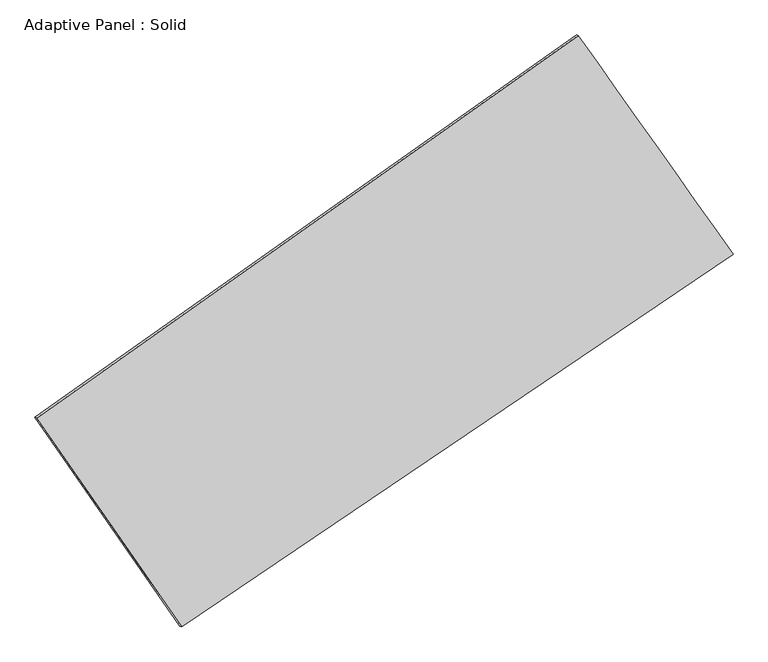
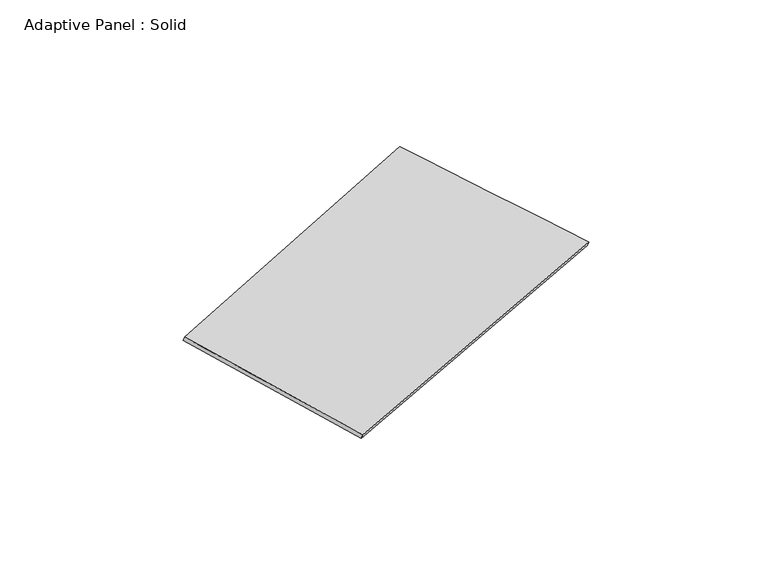
"""IFC4 building model written with IfcOpenShell, lengths in millimetres: plate geometry, Adaptive Panel : Solid."""

from ifc_helpers import new_model, si_unit, frame, origin, place, context, project, spatial, source, transform, mapped, element, save
from ifc_brep_helpers import plane_surface, spline_surface, advanced_brep


def adaptive_panel_solid_a981316e(model_context):
    return source(origin(), model_context, "Body", "AdvancedBrep", [
        advanced_brep(
        [(1062.2166433, 2506.9601895, 669.7773471), (-3675.0481676, -838.8263992, 1731.2979117), (-3660.3818117, -845.2064927, 1778.6708197), (1076.8829991, 2500.580096, 717.1502551), (-2406.4607428, -2663.383205, 1046.3807647), (-2391.794387, -2669.7632984, 1093.7536727), (2416.001689, 595.0008418, 37.6664967), (2430.6680448, 588.6207484, 85.0394047)],
        [
            (0, 1),
            (1, 2),
            (2, 3),
            (3, 0),
            (1, 4),
            (4, 5),
            (5, 2),
            (4, 6),
            (6, 7),
            (7, 5),
            (6, 0),
            (3, 7),
        ],
        [
            plane_surface(frame((-1306.4157622, 834.0668951, 1200.5376294), z_axis=(-0.5146918190833963, 0.8140880144762557, 0.2689851967204371), x_axis=(-0.8034712460901905, -0.5674673945691499, 0.18004086427024646))),
            plane_surface(frame((-3040.7544552, -1751.1048021, 1388.8393382), z_axis=(-0.7811223505847652, -0.6033784535017376, 0.16056872443531128), x_axis=(0.5455377709495373, -0.7846244045668223, -0.294538765234001))),
            plane_surface(frame((4.7704731, -1034.1911816, 542.0236307), z_axis=(0.5008683542689527, -0.8236378519651927, -0.2659916925433465), x_axis=(0.8164205326928907, 0.5516293132024312, -0.17077064915631818))),
            plane_surface(frame((1739.1091661, 1550.9805157, 353.7219219), z_axis=(0.7799086627214982, 0.6051076324653168, -0.15996009172347886), x_axis=(-0.557917511687565, 0.7879504985385589, 0.26050347791381306))),
            spline_surface(1, 1, [[(-3660.3818117, -845.2064927, 1778.6708197), (1076.8829991, 2500.580096, 717.1502551)], [(-2391.794387, -2669.7632984, 1093.7536727), (2430.6680448, 588.6207484, 85.0394047)]], [2, 2], [2, 2], [0.0, 1.0], [0.0, 1.0]),
            spline_surface(1, 1, [[(2416.001689, 595.0008418, 37.6664967), (1062.2166433, 2506.9601895, 669.7773471)], [(-2406.4607428, -2663.383205, 1046.3807647), (-3675.0481676, -838.8263992, 1731.2979117)]], [2, 2], [2, 2], [0.0, 1.0], [0.0, 1.0]),
        ],
        [
            (0, [[1, 2, 3, 4]]),
            (1, [[5, 6, 7, -2]]),
            (2, [[8, 9, 10, -6]]),
            (3, [[11, -4, 12, -9]]),
            (4, [[-3, -7, -10, -12]]),
            (5, [[-11, -8, -5, -1]]),
        ],
    ),
    ])


if __name__ == "__main__":
    model = new_model("IFC4")
    model_context = context("Model", 3, world=origin())
    ifc_project = project(units=[si_unit("LENGTHUNIT", "METRE", prefix="MILLI")], contexts=[model_context])
    site = spatial("IfcSite", under=ifc_project)
    building = spatial("IfcBuilding", under=site)
    placement = place(None, origin())
    adaptive_panel_solid_shape = adaptive_panel_solid_a981316e(model_context)
    element("IfcPlate", 1, ObjectType="Adaptive Panel : Solid", at=placement, inside=building, context=model_context, shape_type="MappedRepresentation", body=[
        mapped(adaptive_panel_solid_shape, transform((0.0, 0.0, 0.0), x_axis=(1.0, 0.0, 0.0), y_axis=(0.0, 1.0, 0.0), z_axis=(0.0, 0.0, 1.0))),
    ])
    save(model, "model.ifc")
